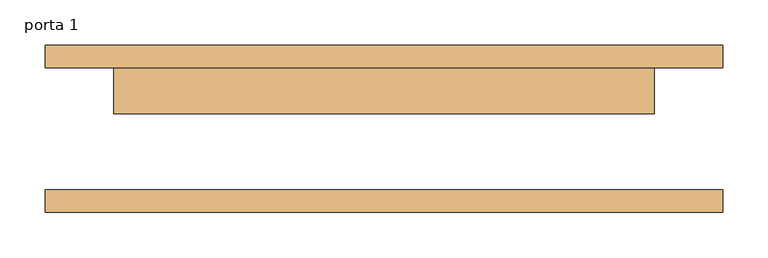
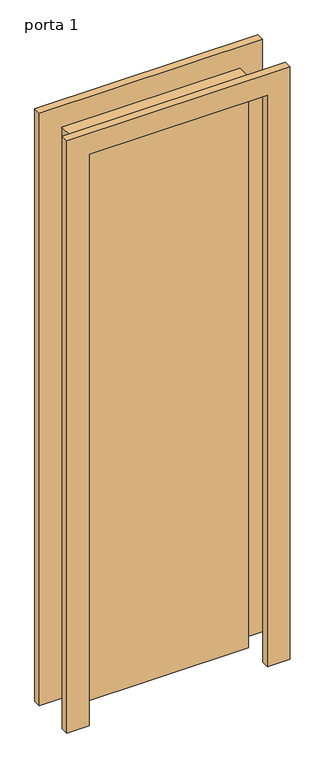
"""IFC4 building model written with IfcOpenShell, lengths in millimetres: door geometry, porta 1."""

from ifc_helpers import new_model, si_unit, frame, origin, origin_with_axes, place, context, project, spatial, polyline, outline, extrude, source, transform, mapped, element, save


def porta_1_628c43eb(model_context):
    return source(origin(), model_context, "Body", "SweptSolid", [
        extrude(outline(polyline([(2108.0, -376.0), (0.0, -376.0), (0.0, -300.0), (2032.0, -300.0), (2032.0, 300.0), (0.0, 300.0), (0.0, 376.0), (2108.0, 376.0), (2108.0, -376.0)])), frame((0.0, 67.75, 0.0), z_axis=(0.0, 1.0, 0.0), x_axis=(0.0, 0.0, 1.0)), (0.0, 0.0, 1.0), 25.0),
        extrude(outline(polyline([(2108.0, 376.0), (2108.0, -376.0), (0.0, -376.0), (0.0, -300.0), (2032.0, -300.0), (2032.0, 300.0), (0.0, 300.0), (0.0, 376.0), (2108.0, 376.0)])), frame((0.0, -92.75, 0.0), z_axis=(0.0, 1.0, 0.0), x_axis=(0.0, 0.0, 1.0)), (0.0, 0.0, 1.0), 25.0),
        extrude(outline(polyline([(300.0, 16.75), (-300.0, 16.75), (-300.0, 67.75), (300.0, 67.75), (300.0, 16.75)])), origin_with_axes(), (0.0, 0.0, 1.0), 2032.0),
    ])


if __name__ == "__main__":
    model = new_model("IFC4")
    model_context = context("Model", 3, world=origin())
    ifc_project = project(units=[si_unit("LENGTHUNIT", "METRE", prefix="MILLI")], contexts=[model_context])
    site = spatial("IfcSite", under=ifc_project)
    building = spatial("IfcBuilding", under=site)
    placement = place(None, origin())
    porta_1_shape = porta_1_628c43eb(model_context)
    element("IfcDoor", 1, ObjectType="porta 1", at=placement, inside=building, context=model_context, shape_type="MappedRepresentation", body=[
        mapped(porta_1_shape, transform((0.0, 0.0, 0.0), x_axis=(1.0, 0.0, 0.0), y_axis=(0.0, 1.0, 0.0), z_axis=(0.0, 0.0, 1.0))),
    ])
    save(model, "model.ifc")
